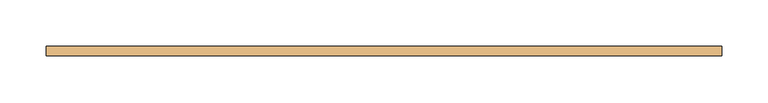
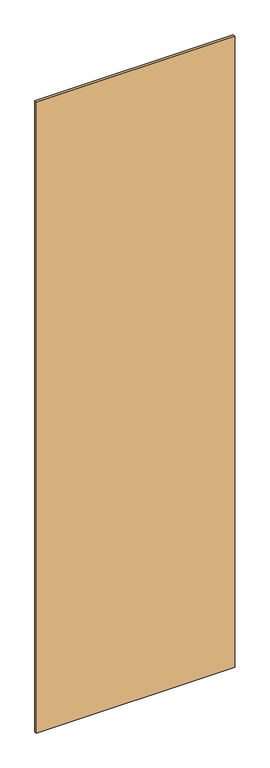
"""IFC4 building model written with IfcOpenShell, lengths in millimetres: door geometry."""

from ifc_helpers import new_model, si_unit, frame, origin, place, context, project, spatial, polyline, outline, extrude, source, transform, mapped, element, save


def door_85eacbac(model_context):
    return source(origin(), model_context, "Body", "SweptSolid", [
        extrude(outline(polyline([(363.3365831, 5.0), (363.3365831, -5.0), (-363.3365831, -5.0), (-363.3365831, 5.0), (363.3365831, 5.0)])), frame((0.0, 0.0, 78.0), z_axis=(0.0, 0.0, 1.0), x_axis=(1.0, 0.0, 0.0)), (0.0, 0.0, 1.0), 2444.0),
    ])


if __name__ == "__main__":
    model = new_model("IFC4")
    model_context = context("Model", 3, world=origin())
    ifc_project = project(units=[si_unit("LENGTHUNIT", "METRE", prefix="MILLI")], contexts=[model_context])
    site = spatial("IfcSite", under=ifc_project)
    building = spatial("IfcBuilding", under=site)
    placement = place(None, origin())
    door_shape = door_85eacbac(model_context)
    element("IfcDoor", 1, at=placement, inside=building, context=model_context, shape_type="MappedRepresentation", body=[
        mapped(door_shape, transform((0.0, 0.0, 0.0), x_axis=(1.0, 0.0, 0.0), y_axis=(0.0, 1.0, 0.0), z_axis=(0.0, 0.0, 1.0))),
    ])
    save(model, "model.ifc")
